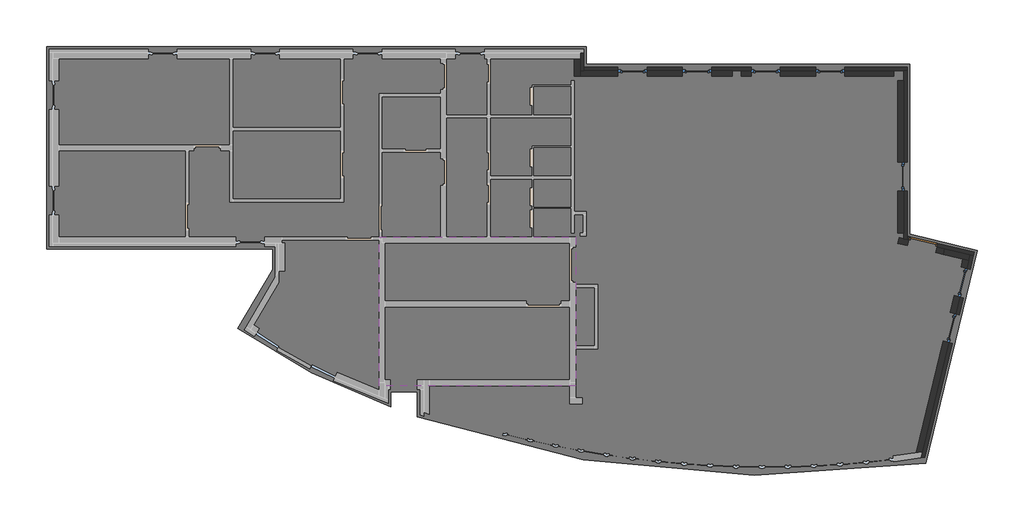
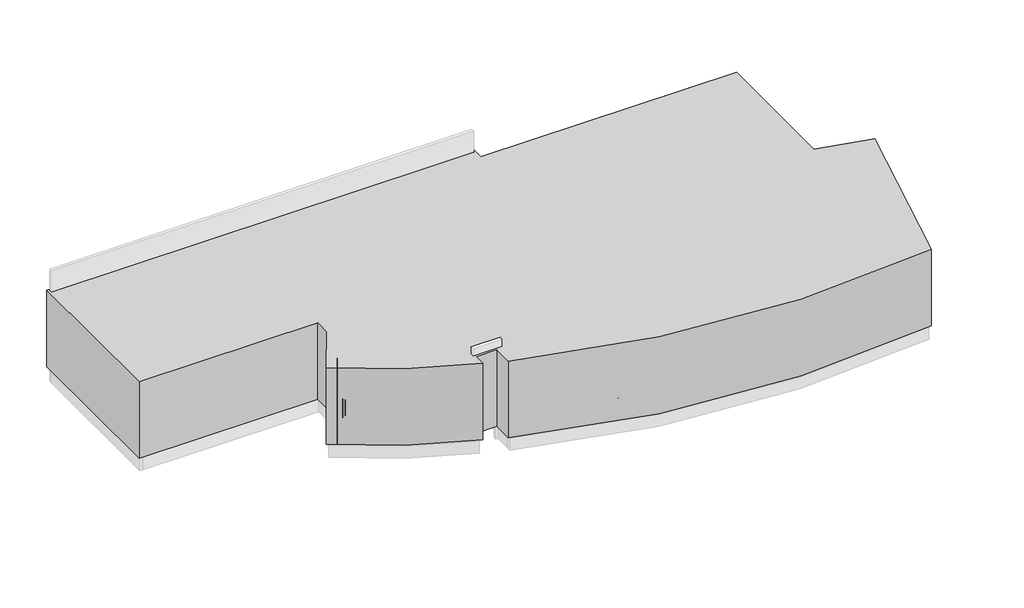
# One storey, part 4 of 4: 18 walls, 7 windows, 4 slabs, 1 door, 1 proxy.
"""IFC4 building model written with IfcOpenShell, lengths in millimetres."""

import ifcopenshell
import ifcopenshell.guid

model = None  # the IFC model being written
_history = None  # IfcOwnerHistory: only IFC2X3 demands one
_inside = {}  # id of a spatial element -> (the spatial element, [elements in it])
_under = {}  # id of a project, library or spatial element -> (it, [spatial elements below it])
_declared = {}  # id of a project -> (the project, [libraries it declares])
_typed = {}  # id of a type object -> (the type object, [elements of that type])
_made_of = {}  # id of a material, layer set ... -> (it, [elements and type objects made of it])


def new_model(schema):
    """Start an empty IFC model of exactly this schema.

    Asked for "IFC4X3", IfcOpenShell would pick the latest addendum, in which some entities
    have other attributes; the version numbers below select the first issue.
    IFC2X3 requires an IfcOwnerHistory on every rooted entity: one is made here for all.
    """
    global model, _history
    if schema == "IFC4X3":
        model = ifcopenshell.file(schema_version=(4, 3, 0, 0))
    else:
        model = ifcopenshell.file(schema=schema)
    _inside.clear()
    _under.clear()
    _declared.clear()
    _typed.clear()
    _made_of.clear()
    _history = None
    if model.schema == "IFC2X3":
        org = make("IfcOrganization", Name="unknown")
        user = make(
            "IfcPersonAndOrganization",
            ThePerson=make("IfcPerson", FamilyName="unknown"),
            TheOrganization=org,
        )
        app = make(
            "IfcApplication",
            ApplicationDeveloper=org,
            Version="unknown",
            ApplicationFullName="unknown",
            ApplicationIdentifier="unknown",
        )
        _history = make(
            "IfcOwnerHistory",
            OwningUser=user,
            OwningApplication=app,
            ChangeAction="ADDED",
            CreationDate=0,
        )
    return model


def make(cls, **values):
    """One entity of the class cls with the attributes given. An attribute that is None is left unset."""
    return model.create_entity(
        cls, **{name: value for name, value in values.items() if value is not None}
    )


def rooted(cls, **values):
    """An entity with a GlobalId (a new one), such as an element, a storey or a relation."""
    return make(cls, GlobalId=ifcopenshell.guid.new(), OwnerHistory=_history, **values)


def si_unit(unit_type, name, prefix=None):
    """IfcSIUnit, for example si_unit("LENGTHUNIT", "METRE", prefix="MILLI")."""
    return make("IfcSIUnit", UnitType=unit_type, Prefix=prefix, Name=name)


def assignment(units):
    """IfcUnitAssignment: the units of a project."""
    return None if units is None else make("IfcUnitAssignment", Units=units)


def point(xyz):
    """IfcCartesianPoint."""
    return None if xyz is None else make("IfcCartesianPoint", Coordinates=xyz)


def direction(xyz):
    """IfcDirection."""
    return None if xyz is None else make("IfcDirection", DirectionRatios=xyz)


def frame(location, z_axis=None, x_axis=None):
    """IfcAxis2Placement3D, a coordinate frame: its origin and axes. An axis left out is left unset."""
    return make(
        "IfcAxis2Placement3D",
        Location=point(location),
        Axis=direction(z_axis),
        RefDirection=direction(x_axis),
    )


def frame_2d(location, x_axis=None):
    """IfcAxis2Placement2D, a coordinate frame in the plane: its origin and x axis."""
    return make(
        "IfcAxis2Placement2D", Location=point(location), RefDirection=direction(x_axis)
    )


def origin():
    """The frame at (0, 0, 0) with its axes left unset."""
    return frame((0.0, 0.0, 0.0))


def origin_with_axes():
    """The frame at (0, 0, 0) with the z axis (0, 0, 1) and the x axis (1, 0, 0) written out."""
    return frame((0.0, 0.0, 0.0), z_axis=(0.0, 0.0, 1.0), x_axis=(1.0, 0.0, 0.0))


def place(relative_to, where):
    """IfcLocalPlacement: puts the frame where relative to a parent placement (None: the world)."""
    return make(
        "IfcLocalPlacement", PlacementRelTo=relative_to, RelativePlacement=where
    )


def context(
    kind, dimensions, precision=None, world=None, true_north=None, identifier=None
):
    """IfcGeometricRepresentationContext, for example the 3D "Model" context."""
    return make(
        "IfcGeometricRepresentationContext",
        ContextIdentifier=identifier,
        ContextType=kind,
        CoordinateSpaceDimension=dimensions,
        Precision=precision,
        WorldCoordinateSystem=world,
        TrueNorth=true_north,
    )


def project(units=None, contexts=None):
    """IfcProject with its units and contexts."""
    return rooted(
        "IfcProject",
        Name="project",
        RepresentationContexts=contexts,
        UnitsInContext=assignment(units),
    )


def spatial(cls, under=None, at=None, **own):
    """A site, building, storey or space (cls), placed at a placement, below another one or the project."""
    s = rooted(cls, ObjectPlacement=at, **own)
    if under is not None:
        _under.setdefault(under.id(), (under, []))[1].append(s)
    return s


def polyline(points):
    """IfcPolyline through the points."""
    return make("IfcPolyline", Points=[point(p) for p in points])


def circle_curve(where, radius):
    """IfcCircle in the frame where."""
    return make("IfcCircle", Position=where, Radius=radius)


def ellipse_curve(where, semi_axis1, semi_axis2):
    """IfcEllipse in the frame where."""
    return make(
        "IfcEllipse", Position=where, SemiAxis1=semi_axis1, SemiAxis2=semi_axis2
    )


def trimmed(basis, trim1, trim2, sense, master):
    """IfcTrimmedCurve: the piece of a basis curve between two trims."""
    return make(
        "IfcTrimmedCurve",
        BasisCurve=basis,
        Trim1=trim1,
        Trim2=trim2,
        SenseAgreement=sense,
        MasterRepresentation=master,
    )


def segment(curve, same_sense, transition):
    """IfcCompositeCurveSegment."""
    return make(
        "IfcCompositeCurveSegment",
        Transition=transition,
        SameSense=same_sense,
        ParentCurve=curve,
    )


def composite_curve(segments, self_intersect=None):
    """IfcCompositeCurve: segments joined end to end."""
    return make("IfcCompositeCurve", Segments=segments, SelfIntersect=self_intersect)


def outline(outer, holes=None, kind="AREA"):
    """IfcArbitraryClosedProfileDef: a profile drawn as a closed curve; with holes, ...WithVoids."""
    if holes is None:
        return make("IfcArbitraryClosedProfileDef", ProfileType=kind, OuterCurve=outer)
    return make(
        "IfcArbitraryProfileDefWithVoids",
        ProfileType=kind,
        OuterCurve=outer,
        InnerCurves=holes,
    )


def extrude(swept, where, along, depth):
    """IfcExtrudedAreaSolid: the profile swept, set in the frame where, extruded along a direction by depth."""
    return make(
        "IfcExtrudedAreaSolid",
        SweptArea=swept,
        Position=where,
        ExtrudedDirection=direction(along),
        Depth=depth,
    )


def faces_of(points, faces, orient=None, outer=None):
    """IfcFace entities. A face is a list of loops; a loop is a list of indices into points, from 0.

    orient and outer hold one flag for each loop. By default every Orientation is true, the
    first loop of a face is its IfcFaceOuterBound and the others are IfcFaceBound.
    """
    made = []
    for i, loops in enumerate(faces):
        bounds = []
        for j, loop in enumerate(loops):
            is_outer = j == 0 if outer is None else outer[i][j]
            bounds.append(
                make(
                    "IfcFaceOuterBound" if is_outer else "IfcFaceBound",
                    Bound=make("IfcPolyLoop", Polygon=[points[k] for k in loop]),
                    Orientation=True if orient is None else orient[i][j],
                )
            )
        made.append(make("IfcFace", Bounds=bounds))
    return made


def faceted_brep(points, faces, orient=None, outer=None, voids=None):
    """IfcFacetedBrep: a solid bounded by flat faces; with voids (closed shells), ...WithVoids."""
    shared = [point(p) for p in points]
    hull = make("IfcClosedShell", CfsFaces=faces_of(shared, faces, orient, outer))
    if voids is None:
        return make("IfcFacetedBrep", Outer=hull)
    return make(
        "IfcFacetedBrepWithVoids",
        Outer=hull,
        Voids=[
            make(cls, CfsFaces=faces_of(shared, fs, o, b)) for cls, fs, o, b in voids
        ],
    )


def shape(context_of_items, identifier, shape_type, items):
    """IfcShapeRepresentation: the items that make up one representation, for example the "Body"."""
    return make(
        "IfcShapeRepresentation",
        ContextOfItems=context_of_items,
        RepresentationIdentifier=identifier,
        RepresentationType=shape_type,
        Items=items,
    )


def source(mapping_origin, context_of_items, identifier, shape_type, items):
    """IfcRepresentationMap: a shape defined once, which mapped items show again and again."""
    return make(
        "IfcRepresentationMap",
        MappingOrigin=mapping_origin,
        MappedRepresentation=shape(context_of_items, identifier, shape_type, items),
    )


def transform(
    local_origin,
    x_axis=None,
    y_axis=None,
    z_axis=None,
    scale=None,
    scale2=None,
    scale3=None,
    uniform=True,
):
    """IfcCartesianTransformationOperator3D, or its non-uniform kind. x_axis, y_axis, z_axis: its Axis1, 2, 3."""
    if uniform:
        return make(
            "IfcCartesianTransformationOperator3D",
            Axis1=direction(x_axis),
            Axis2=direction(y_axis),
            LocalOrigin=point(local_origin),
            Scale=scale,
            Axis3=direction(z_axis),
        )
    return make(
        "IfcCartesianTransformationOperator3DnonUniform",
        Axis1=direction(x_axis),
        Axis2=direction(y_axis),
        LocalOrigin=point(local_origin),
        Scale=scale,
        Axis3=direction(z_axis),
        Scale2=scale2,
        Scale3=scale3,
    )


def mapped(mapping_source, mapping_target):
    """IfcMappedItem: shows the shape of a source again, moved by a transform."""
    return make(
        "IfcMappedItem", MappingSource=mapping_source, MappingTarget=mapping_target
    )


def made_of(thing, what):
    """Note that an element or type object is made of a material, layer set ...; save() writes the relation."""
    if what is not None:
        _made_of.setdefault(what.id(), (what, []))[1].append(thing)
    return thing


def element(
    cls,
    number,
    at=None,
    inside=None,
    cuts=None,
    type_object=None,
    material=None,
    context=None,
    identifier="Body",
    shape_type=None,
    held_by="IfcProductDefinitionShape",
    body=None,
    shapes=None,
    **own,
):
    """One element of the class cls, such as IfcWall. Its Tag is "e" and its number.

    at: its placement. inside: the storey or other place that contains it. cuts: it is an
    opening in that element (IfcRelVoidsElement). A single representation is given by context,
    identifier, shape_type and body (its items); several are given by shapes. held_by: the class
    of the entity that holds the representations. save() writes the other relations.
    """
    e = rooted(cls, Tag="e%d" % number, ObjectPlacement=at, **own)
    if body is not None:
        shapes = [shape(context, identifier, shape_type, body)]
    if shapes is not None:
        e.Representation = make(held_by, Representations=shapes)
    if inside is not None:
        _inside.setdefault(inside.id(), (inside, []))[1].append(e)
    if cuts is not None:
        rooted(
            "IfcRelVoidsElement", RelatingBuildingElement=cuts, RelatedOpeningElement=e
        )
    if type_object is not None:
        _typed.setdefault(type_object.id(), (type_object, []))[1].append(e)
    return made_of(e, material)


def aggregate(whole, parts):
    """IfcRelAggregates: a whole, such as a stair, and the parts it consists of."""
    return rooted("IfcRelAggregates", RelatingObject=whole, RelatedObjects=parts)


def save(model, path):
    """Write the relations noted so far, then the file.

    IfcRelAggregates (storeys below a building ...), IfcRelContainedInSpatialStructure (elements
    in a storey), IfcRelDefinesByType, IfcRelAssociatesMaterial and IfcRelDeclares: one each for
    every whole, place, type object, material and project.
    """
    for whole, parts in _under.values():
        aggregate(whole, parts)
    for where, things in _inside.values():
        rooted(
            "IfcRelContainedInSpatialStructure",
            RelatedElements=things,
            RelatingStructure=where,
        )
    for kind, things in _typed.values():
        rooted("IfcRelDefinesByType", RelatedObjects=things, RelatingType=kind)
    for what, things in _made_of.values():
        rooted("IfcRelAssociatesMaterial", RelatedObjects=things, RelatingMaterial=what)
    for by, libraries in _declared.values():
        rooted("IfcRelDeclares", RelatingContext=by, RelatedDefinitions=libraries)
    model.write(path)


def plane_surface(at):
    """IfcPlane: the flat surface through the origin of the frame at, square to its z axis."""
    return make("IfcPlane", Position=at)


def cylinder_surface(at, radius):
    """IfcCylindricalSurface: all points at the distance radius from the z axis of the frame at."""
    return make("IfcCylindricalSurface", Position=at, Radius=radius)


def advanced_brep(points, edges, surfaces, faces):
    """IfcAdvancedBrep: a solid bounded by faces that lie on surfaces and meet in shared edges.

    An edge is (start, end): straight between two places in points (the first is 0);
    or (start, end, curve); or (start, end, curve, False) where it runs against its curve.
    A face is (place in surfaces, loops), or (place, loops, False) where it looks against
    its surface's normal. A loop lists edges by number (the first is 1), with a minus sign
    where the edge is run from its end to its start. The first loop is the outer one.
    """
    corners = [point(p) for p in points]
    vertices = [make("IfcVertexPoint", VertexGeometry=c) for c in corners]
    made = []
    for start, end, *more in edges:
        made.append(
            make(
                "IfcEdgeCurve",
                EdgeStart=vertices[start],
                EdgeEnd=vertices[end],
                EdgeGeometry=more[0] if more else make("IfcPolyline", Points=[corners[start], corners[end]]),
                SameSense=more[1] if len(more) > 1 else True,
            )
        )
    hull = []
    for where, loops, *sense in faces:
        bounds = []
        for j, loop in enumerate(loops):
            ring = [make("IfcOrientedEdge", EdgeElement=made[abs(k) - 1], Orientation=k > 0) for k in loop]
            bounds.append(
                make(
                    "IfcFaceOuterBound" if j == 0 else "IfcFaceBound",
                    Bound=make("IfcEdgeLoop", EdgeList=ring),
                    Orientation=True,
                )
            )
        hull.append(make("IfcAdvancedFace", Bounds=bounds, FaceSurface=surfaces[where], SameSense=sense[0] if sense else True))
    return make("IfcAdvancedBrep", Outer=make("IfcClosedShell", CfsFaces=hull))


def door_57be7e1d(model_context):
    return source(origin(), model_context, "Body", "SweptSolid", [
        extrude(outline(polyline([(-450.0, 60.0), (450.0, 60.0), (450.0, 10.0), (-450.0, 10.0), (-450.0, 60.0)])), origin_with_axes(), (0.0, 0.0, 1.0), 2050.0),
        extrude(outline(polyline([(0.0, -500.0), (0.0, -450.0), (2050.0, -450.0), (2050.0, 450.0), (0.0, 450.0), (0.0, 500.0), (2100.0, 500.0), (2100.0, -500.0), (0.0, -500.0)])), frame((0.0, -40.0, 0.0), z_axis=(0.0, 1.0, 0.0), x_axis=(0.0, 0.0, 1.0)), (0.0, 0.0, 1.0), 100.0),
    ])


def window_b37a0a77(model_context):
    return source(origin(), model_context, "Body", "SolidModel", [
        extrude(outline(polyline([(666.8584094, -65.9407167), (666.8584094, -73.9407167), (-153.1415906, -73.9407167), (-153.1415906, -65.9407167), (666.8584094, -65.9407167)])), frame((0.0, 0.0, 2317.0), z_axis=(0.0, 0.0, 1.0), x_axis=(1.0, 0.0, 0.0)), (0.0, 0.0, 1.0), 493.0),
        advanced_brep(
        [(244.3584094, -139.9407167, 1005.0), (269.3584094, -139.9407167, 1005.0), (244.3584094, -177.4407167, 1005.0), (269.3584094, -202.4407167, 1005.0), (156.8584094, -177.4407167, 1005.0), (156.8584094, -202.4407167, 1005.0)],
        [
            (0, 1, circle_curve(frame((256.8584094, -139.9407167, 1005.0), z_axis=(0.0, 1.0, 0.0), x_axis=(1.0, 0.0, 0.0)), 12.5)),
            (1, 0, circle_curve(frame((256.8584094, -139.9407167, 1005.0), z_axis=(0.0, 1.0, 0.0), x_axis=(1.0, 0.0, 0.0)), 12.5)),
            (0, 2),
            (2, 3, ellipse_curve(frame((256.8584094, -189.9407167, 1005.0), z_axis=(0.7071067811865475, 0.7071067811865475, 0.0), x_axis=(-0.7071067811865474, 0.7071067811865476, 0.0)), 17.6776695, 12.5)),
            (3, 1),
            (3, 2, ellipse_curve(frame((256.8584094, -189.9407167, 1005.0), z_axis=(0.7071067811865475, 0.7071067811865475, 0.0), x_axis=(-0.7071067811865474, 0.7071067811865476, 0.0)), 17.6776695, 12.5)),
            (4, 5, circle_curve(frame((156.8584094, -189.9407167, 1005.0), z_axis=(-1.0, 0.0, 0.0), x_axis=(0.0, -1.0, 0.0)), 12.5)),
            (5, 4, circle_curve(frame((156.8584094, -189.9407167, 1005.0), z_axis=(-1.0, 0.0, 0.0), x_axis=(0.0, -1.0, 0.0)), 12.5)),
            (2, 4),
            (5, 3),
        ],
        [
            plane_surface(frame((256.8584094, -139.9407167, 1005.0), z_axis=(0.0, 1.0, 0.0), x_axis=(0.0, 0.0, 1.0))),
            cylinder_surface(frame((256.8584094, -139.9407167, 1005.0), z_axis=(0.0, 1.0, 0.0), x_axis=(1.0, 0.0, 0.0)), 12.5),
            plane_surface(frame((156.8584094, -189.9407167, 1005.0), z_axis=(-1.0, 0.0, 0.0), x_axis=(0.0, 0.0, 1.0))),
            cylinder_surface(frame((256.8584094, -189.9407167, 1005.0), z_axis=(1.0, 0.0, 0.0), x_axis=(0.0, -1.0, 0.0)), 12.5),
        ],
        [
            (0, [[1, 2]]),
            (1, [[-1, 3, 4, 5]]),
            (1, [[-2, -5, 6, -3]]),
            (2, [[7, 8]]),
            (3, [[-4, 9, -8, 10]]),
            (3, [[-6, -10, -7, -9]]),
        ],
    ),
        extrude(outline(polyline([(616.8584094, -90.9407167), (616.8584094, -98.9407167), (-103.1415906, -98.9407167), (-103.1415906, -90.9407167), (616.8584094, -90.9407167)])), frame((0.0, 0.0, 1030.0), z_axis=(0.0, 0.0, 1.0), x_axis=(1.0, 0.0, 0.0)), (0.0, 0.0, 1.0), 1730.0),
        faceted_brep([(-153.1415906, -69.9407167, 980.0), (666.8584094, -69.9407167, 980.0), (666.8584094, -114.9407167, 980.0), (666.8584094, -139.9407167, 980.0), (-153.1415906, -139.9407167, 980.0), (-153.1415906, -114.9407167, 980.0), (-103.1415906, -69.9407167, 1030.0), (-103.1415906, -139.9407167, 1030.0), (616.8584094, -139.9407167, 1030.0), (616.8584094, -69.9407167, 1030.0), (666.8584094, -69.9407167, 2810.0), (666.8584094, -114.9407167, 2810.0), (666.8584094, -139.9407167, 2810.0), (616.8584094, -139.9407167, 2760.0), (616.8584094, -69.9407167, 2760.0), (-153.1415906, -69.9407167, 2810.0), (-153.1415906, -114.9407167, 2810.0), (-153.1415906, -139.9407167, 2810.0), (-103.1415906, -139.9407167, 2760.0), (-103.1415906, -69.9407167, 2760.0)], [[[0, 1, 2, 3, 4, 5]], [[6, 7, 8, 9]], [[1, 10, 11, 12, 3, 2]], [[9, 8, 13, 14]], [[10, 15, 16, 17, 12, 11]], [[14, 13, 18, 19]], [[1, 0, 15, 10], [6, 9, 14, 19]], [[15, 0, 5, 4, 17, 16]], [[4, 3, 12, 17], [8, 7, 18, 13]], [[7, 6, 19, 18]]]),
        extrude(outline(polyline([(2890.0, 746.8584094), (2890.0, -233.1415906), (900.0, -233.1415906), (900.0, 746.8584094), (2890.0, 746.8584094)]), holes=[polyline([(2810.0, -153.1415906), (2810.0, 666.8584094), (2317.0, 666.8584094), (2317.0, -153.1415906), (2810.0, -153.1415906)]), polyline([(980.0, 666.8584094), (980.0, -153.1415906), (2237.0, -153.1415906), (2237.0, 666.8584094), (980.0, 666.8584094)])]), frame((0.0, -114.9407167, 0.0), z_axis=(0.0, 1.0, 0.0), x_axis=(0.0, 0.0, 1.0)), (0.0, 0.0, 1.0), 70.0),
    ])


model = new_model("IFC4")

# Units and contexts
model_context = context("Model", 3, world=origin())
ifc_project = project(units=[si_unit("LENGTHUNIT", "METRE", prefix="MILLI")], contexts=[model_context])

# Site, building, storey
site = spatial("IfcSite", under=ifc_project)
building = spatial("IfcBuilding", under=site)
storey = spatial("IfcBuildingStorey", under=building, Elevation=3600.0)

# Proxy
placement = place(None, origin())
element("IfcBuildingElementProxy", 1, Name="Mass", at=placement, inside=storey, context=model_context, shape_type="SweptSolid", body=[
    extrude(outline(composite_curve([segment(polyline([(-1805.9332962, 4470.0), (-1805.9332962, 11400.0), (16629.9987544, 11400.0), (16629.9987544, 10790.0), (27679.9990554, 10790.0), (27679.9990554, 4991.002639), (29987.2324476, 4432.7888771), (28225.1801468, -2850.2023073)]), True, "CONTINUOUS"), segment(trimmed(circle_curve(frame_2d((22750.068221, 33124.0258435)), 36388.4863885), [point((28225.1801468, -2850.2023073))], [point((10848.291724, -1263.0307019))], False, "CARTESIAN"), True, "CONTINUOUS"), segment(polyline([(10848.291724, -1263.0307019), (10848.291724, -410.0), (9948.291724, -410.0), (9948.291724, -923.4984263)]), True, "CONTINUOUS"), segment(trimmed(circle_curve(frame_2d((16778.7203102, 18769.2388228)), 20843.6718223), [point((9948.291724, -923.4984263))], [point((4731.2047674, 1759.9465307))], False, "CARTESIAN"), True, "CONTINUOUS"), segment(polyline([(4731.2047674, 1759.9465307), (5920.291724, 3778.8538066), (5920.291724, 4470.0), (-1805.9332962, 4470.0)]), True, "CONTINUOUS")], self_intersect=False)), frame((0.0, 0.0, 3600.0), z_axis=(0.0, 0.0, 1.0), x_axis=(1.0, 0.0, 0.0)), (0.0, 0.0, 1.0), 3500.0),
])

# Door
door_shape = door_57be7e1d(model_context)
element("IfcDoor", 2, at=placement, inside=storey, context=model_context, shape_type="MappedRepresentation", body=[
    mapped(door_shape, transform((28138.0109393, 4725.8631846, 3600.0), x_axis=(0.9719576056551293, -0.2351561455908565, 0.0), y_axis=(0.2351561455908565, 0.9719576056551293, 0.0), z_axis=(0.0, 0.0, 1.0))),
])

# Slabs
element("IfcSlab", 3, at=placement, inside=storey, context=model_context, shape_type="SweptSolid", body=[
    extrude(outline(composite_curve([segment(polyline([(16219.9987544, 10990.0), (16219.9987544, 10380.0), (27269.9990554, 10380.0), (27269.9990554, 4668.3692458), (29492.3158096, 4130.7002784), (27890.3187234, -2490.7437338)]), True, "CONTINUOUS"), segment(trimmed(circle_curve(frame_2d((22767.3792147, 33121.1499071)), 35978.4863203), [point((27890.3187234, -2490.7437338))], [point((11270.291724, -970.9086569))], False, "CARTESIAN"), True, "CONTINUOUS"), segment(polyline([(11270.291724, -970.9086569), (11270.291724, -200.0), (16070.291724, -200.0), (16070.291724, -820.0), (16490.0, -820.0), (16490.0, -620.0), (16270.291724, -620.0), (16270.291724, 1059.6640199), (17019.5672054, 1059.6640199), (17019.5672054, 3259.9999996), (16270.291724, 3259.9999996), (16270.291724, 2700.0), (9550.291724, 2700.0), (9550.291724, -343.1855214)]), True, "CONTINUOUS"), segment(trimmed(circle_curve(frame_2d((16832.6255007, 18872.8552409)), 20549.6619878), [point((9550.291724, -343.1855214))], [point((5277.5419392, 1879.6609649))], False, "CARTESIAN"), True, "CONTINUOUS"), segment(polyline([(5277.5419392, 1879.6609649), (6330.291724, 3667.0863408), (6330.291724, 4880.0), (-1395.9332962, 4880.0), (-1395.9332962, 10990.0), (16219.9987544, 10990.0)]), True, "CONTINUOUS")], self_intersect=False), holes=[polyline([(16530.0005822, 5021.7654473), (16530.0005822, 5650.0), (16219.9988356, 5650.0), (16219.9988356, 5021.7654473), (16530.0005822, 5021.7654473)])]), frame((0.0, 0.0, 3500.0), z_axis=(0.0, 0.0, 1.0), x_axis=(1.0, 0.0, 0.0)), (0.0, 0.0, 1.0), 100.0),
])
element("IfcSlab", 4, at=placement, inside=storey, context=model_context, shape_type="SweptSolid", body=[
    extrude(outline(composite_curve([segment(polyline([(16219.9987544, 10990.0), (16219.9987544, 10380.0), (27269.9990554, 10380.0), (27269.9990554, 4668.3692458), (29492.3158096, 4130.7002784), (27890.3187234, -2490.7437338)]), True, "CONTINUOUS"), segment(trimmed(circle_curve(frame_2d((22767.3792147, 33121.1499071)), 35978.4863203), [point((27890.3187234, -2490.7437338))], [point((11270.291724, -970.9086569))], False, "CARTESIAN"), True, "CONTINUOUS"), segment(polyline([(11270.291724, -970.9086569), (11270.291724, -200.0), (16070.291724, -200.0), (16070.291724, -820.0), (16490.0, -820.0), (16490.0, -620.0), (16270.291724, -620.0), (16270.291724, 1059.6640199), (17019.5672054, 1059.6640199), (17019.5672054, 3259.9999996), (16270.291724, 3259.9999996), (16270.291724, 2700.0), (9550.291724, 2700.0), (9550.291724, -343.1855214)]), True, "CONTINUOUS"), segment(trimmed(circle_curve(frame_2d((16832.6255007, 18872.8552409)), 20549.6619878), [point((9550.291724, -343.1855214))], [point((5277.5419392, 1879.6609649))], False, "CARTESIAN"), True, "CONTINUOUS"), segment(polyline([(5277.5419392, 1879.6609649), (6330.291724, 3667.0863408), (6330.291724, 4880.0), (-1395.9332962, 4880.0), (-1395.9332962, 10990.0), (16219.9987544, 10990.0)]), True, "CONTINUOUS")], self_intersect=False), holes=[polyline([(16530.0005822, 5021.7654473), (16530.0005822, 5650.0), (16219.9988356, 5650.0), (16219.9988356, 5021.7654473), (16530.0005822, 5021.7654473)])]), frame((0.0, 0.0, 3500.0), z_axis=(0.0, 0.0, 1.0), x_axis=(1.0, 0.0, 0.0)), (0.0, 0.0, 1.0), 100.0),
])
element("IfcSlab", 5, at=placement, inside=storey, context=model_context, shape_type="SweptSolid", body=[
    extrude(outline(polyline([(16270.0, 4880.0), (16270.0, -200.0), (9550.291724, -200.0), (9550.291724, 4880.0), (16270.0, 4880.0)]), holes=[polyline([(10984.1224764, 3900.0000028), (9750.291724, 3900.0000028), (9750.291724, 2700.0), (10984.1224764, 2700.0), (10984.1224764, 3900.0000028)]), polyline([(13720.0, 350.0), (13720.0, 0.0), (15120.0, 0.0), (15120.0, 350.0), (13720.0, 350.0)])]), frame((0.0, 0.0, 5700.0), z_axis=(0.0, 0.0, 1.0), x_axis=(1.0, 0.0, 0.0)), (0.0, 0.0, 1.0), 200.0),
])
element("IfcSlab", 6, at=placement, inside=storey, context=model_context, shape_type="SweptSolid", body=[
    extrude(outline(polyline([(22269.9990554, 5380.0), (22269.9990554, 4380.0), (21919.9990554, 4380.0), (21919.9990554, -470.0), (21619.9990554, -470.0), (21619.9990554, 4380.0), (21269.9990554, 4380.0), (21269.9990554, 5380.0), (22269.9990554, 5380.0)])), frame((0.0, 0.0, 3100.0), z_axis=(0.0, 0.0, 1.0), x_axis=(1.0, 0.0, 0.0)), (0.0, 0.0, 1.0), 200.0),
    extrude(outline(polyline([(16120.0, 10230.0), (16420.0, 10230.0), (16420.0, 5030.0), (16120.0, 5030.0), (16120.0, 10230.0)])), frame((0.0, 0.0, 3100.0), z_axis=(0.0, 0.0, 1.0), x_axis=(1.0, 0.0, 0.0)), (0.0, 0.0, 1.0), 200.0),
    extrude(outline(polyline([(16070.0, -820.0), (16280.145862, -820.0), (16280.145862, -2113.3276554), (16070.0, -2075.9132898), (16070.0, -820.0)])), frame((0.0, 0.0, 3100.0), z_axis=(0.0, 0.0, 1.0), x_axis=(1.0, 0.0, 0.0)), (0.0, 0.0, 1.0), 200.0),
    extrude(outline(polyline([(27119.9990554, -770.0), (27419.9990554, -770.0), (27419.9990554, -2403.9897137), (27119.9990554, -2403.9897137), (27119.9990554, -770.0)])), frame((0.0, 0.0, 3100.0), z_axis=(0.0, 0.0, 1.0), x_axis=(1.0, 0.0, 0.0)), (0.0, 0.0, 1.0), 200.0),
    extrude(outline(polyline([(27419.9990554, -470.0), (27119.9990554, -470.0), (27119.9990554, 4550.3326386), (27419.9990554, 4477.7504156), (27419.9990554, -470.0)])), frame((0.0, 0.0, 3100.0), z_axis=(0.0, 0.0, 1.0), x_axis=(1.0, 0.0, 0.0)), (0.0, 0.0, 1.0), 200.0),
])

# Walls
element("IfcWall", 7, at=placement, inside=storey, context=model_context, shape_type="Brep", body=[
    faceted_brep([(16219.9987544, 10990.0, 3500.0), (16219.9987544, 10380.0, 3500.0), (16219.9987544, 10380.0, 6700.0), (16219.9987544, 10990.0, 6700.0), (16419.9987544, 10990.0, 3500.0), (16419.9987544, 10990.0, 6700.0), (16419.9987544, 10580.0, 6700.0), (16419.9987544, 10380.0, 6700.0), (16419.9987544, 10380.0, 3500.0), (16419.9987544, 10580.0, 3500.0)], [[[0, 1, 2, 3]], [[4, 5, 6, 7, 8, 9]], [[1, 0, 4, 9, 8]], [[3, 2, 7, 6, 5]], [[0, 3, 5, 4]], [[2, 1, 8, 7]]]),
])
element("IfcWall", 8, at=placement, inside=storey, context=model_context, shape_type="Brep", body=[
    faceted_brep([(16419.9987544, 11190.0, 3501.2887174), (16419.9987544, 10580.0, 3501.2887174), (16419.9987544, 10580.0, 6700.0), (16419.9987544, 11190.0, 6700.0), (16539.9987544, 11190.0, 3501.2887174), (16539.9987544, 11190.0, 6700.0), (16539.9987544, 10700.0, 6700.0), (16539.9987544, 10580.0, 6700.0), (16539.9987544, 10580.0, 3501.2887174)], [[[0, 1, 2, 3]], [[4, 5, 6, 7, 8]], [[1, 0, 4, 8]], [[3, 2, 7, 6, 5]], [[0, 3, 5, 4]], [[2, 1, 8, 7]]]),
])
element("IfcWall", 9, at=placement, inside=storey, context=model_context, shape_type="Brep", body=[
    faceted_brep([(16539.9987544, 10580.0, 3500.0), (27469.9990554, 10580.0, 3500.0), (27589.9990554, 10580.0, 3500.0), (27589.9990554, 10580.0, 6700.0), (27469.9990554, 10580.0, 6700.0), (16539.9987544, 10580.0, 6700.0), (16539.9987544, 10580.0, 3501.2887174), (24459.9999506, 10580.0, 6420.0), (25459.9999506, 10580.0, 6420.0), (25459.9999506, 10580.0, 4420.0), (24459.9999506, 10580.0, 4420.0), (22259.9999506, 10580.0, 6420.0), (23259.9999506, 10580.0, 6420.0), (23259.9999506, 10580.0, 4420.0), (22259.9999506, 10580.0, 4420.0), (19909.9990542, 10580.0, 6420.0), (20909.9990542, 10580.0, 6420.0), (20909.9990542, 10580.0, 4420.0), (19909.9990542, 10580.0, 4420.0), (17709.9999702, 10580.0, 6420.0), (18709.9999702, 10580.0, 6420.0), (18709.9999702, 10580.0, 4420.0), (17709.9999702, 10580.0, 4420.0), (16539.9987544, 10700.0, 3500.0), (16539.9987544, 10700.0, 6700.0), (27589.9990554, 10700.0, 6700.0), (27589.9990554, 10700.0, 3500.0), (25459.9999506, 10700.0, 6420.0), (24459.9999506, 10700.0, 6420.0), (24459.9999506, 10700.0, 4460.0), (25459.9999506, 10700.0, 4460.0), (23259.9999506, 10700.0, 6420.0), (22259.9999506, 10700.0, 6420.0), (22259.9999506, 10700.0, 4460.0), (23259.9999506, 10700.0, 4460.0), (20909.9990542, 10700.0, 6420.0), (19909.9990542, 10700.0, 6420.0), (19909.9990542, 10700.0, 4460.0), (20909.9990542, 10700.0, 4460.0), (18709.9999702, 10700.0, 6420.0), (17709.9999702, 10700.0, 6420.0), (17709.9999702, 10700.0, 4460.0), (18709.9999702, 10700.0, 4460.0), (24459.9999506, 10600.0, 4420.0), (25459.9999506, 10600.0, 4420.0), (25459.9999506, 10600.0, 4460.0), (24459.9999506, 10600.0, 4460.0), (24459.9999506, 10675.434827, 6420.0), (25459.9999506, 10675.434827, 6420.0), (24459.9999506, 10675.434827, 4460.0), (25459.9999506, 10675.434827, 4460.0), (22259.9999506, 10600.0, 4420.0), (23259.9999506, 10600.0, 4420.0), (23259.9999506, 10600.0, 4460.0), (22259.9999506, 10600.0, 4460.0), (22259.9999506, 10675.434827, 6420.0), (23259.9999506, 10675.434827, 6420.0), (22259.9999506, 10675.434827, 4460.0), (23259.9999506, 10675.434827, 4460.0), (19909.9990542, 10600.0, 4420.0), (20909.9990542, 10600.0, 4420.0), (20909.9990542, 10600.0, 4460.0), (19909.9990542, 10600.0, 4460.0), (19909.9990542, 10675.434827, 6420.0), (20909.9990542, 10675.434827, 6420.0), (19909.9990542, 10675.434827, 4460.0), (20909.9990542, 10675.434827, 4460.0), (17709.9999702, 10600.0, 4420.0), (18709.9999702, 10600.0, 4420.0), (18709.9999702, 10600.0, 4460.0), (17709.9999702, 10600.0, 4460.0), (17709.9999702, 10675.434827, 6420.0), (18709.9999702, 10675.434827, 6420.0), (17709.9999702, 10675.434827, 4460.0), (18709.9999702, 10675.434827, 4460.0)], [[[0, 1, 2, 3, 4, 5, 6], [7, 8, 9, 10], [11, 12, 13, 14], [15, 16, 17, 18], [19, 20, 21, 22]], [[23, 24, 25, 26], [27, 28, 29, 30], [31, 32, 33, 34], [35, 36, 37, 38], [39, 40, 41, 42]], [[2, 1, 0, 23, 26]], [[5, 4, 3, 25, 24]], [[0, 6, 5, 24, 23]], [[3, 2, 26, 25]], [[43, 44, 45, 46]], [[8, 7, 47, 28, 27, 48]], [[10, 43, 46, 49, 29, 28, 47, 7]], [[44, 43, 10, 9]], [[44, 9, 8, 48, 27, 30, 50, 45]], [[30, 29, 49, 46, 45, 50]], [[51, 52, 53, 54]], [[12, 11, 55, 32, 31, 56]], [[14, 51, 54, 57, 33, 32, 55, 11]], [[52, 51, 14, 13]], [[52, 13, 12, 56, 31, 34, 58, 53]], [[34, 33, 57, 54, 53, 58]], [[59, 60, 61, 62]], [[16, 15, 63, 36, 35, 64]], [[18, 59, 62, 65, 37, 36, 63, 15]], [[60, 59, 18, 17]], [[60, 17, 16, 64, 35, 38, 66, 61]], [[38, 37, 65, 62, 61, 66]], [[67, 68, 69, 70]], [[20, 19, 71, 40, 39, 72]], [[22, 67, 70, 73, 41, 40, 71, 19]], [[68, 67, 22, 21]], [[68, 21, 20, 72, 39, 42, 74, 69]], [[42, 41, 73, 70, 69, 74]]]),
])
element("IfcWall", 10, at=placement, inside=storey, context=model_context, shape_type="SweptSolid", body=[
    extrude(outline(polyline([(3500.0, 16419.9987544), (3500.0, 21619.9990554), (6700.0, 21619.9990554), (6700.0, 16419.9987544), (3500.0, 16419.9987544)]), holes=[polyline([(6420.0, 17709.9999702), (6420.0, 18709.9999702), (4420.0, 18709.9999702), (4420.0, 17709.9999702), (6420.0, 17709.9999702)]), polyline([(6420.0, 19909.9990542), (6420.0, 20909.9990542), (4420.0, 20909.9990542), (4420.0, 19909.9990542), (6420.0, 19909.9990542)])]), frame((0.0, 10380.0, 0.0), z_axis=(0.0, 1.0, 0.0), x_axis=(0.0, 0.0, 1.0)), (0.0, 0.0, 1.0), 200.0),
])
element("IfcWall", 11, at=placement, inside=storey, context=model_context, shape_type="SweptSolid", body=[
    extrude(outline(polyline([(3500.0, 21919.9990554), (3500.0, 27119.9990554), (6700.0, 27119.9990554), (6700.0, 21919.9990554), (3500.0, 21919.9990554)]), holes=[polyline([(6420.0, 22259.9999506), (6420.0, 23259.9999506), (4420.0, 23259.9999506), (4420.0, 22259.9999506), (6420.0, 22259.9999506)]), polyline([(6420.0, 24459.9999506), (6420.0, 25459.9999506), (4420.0, 25459.9999506), (4420.0, 24459.9999506), (6420.0, 24459.9999506)])]), frame((0.0, 10380.0, 0.0), z_axis=(0.0, 1.0, 0.0), x_axis=(0.0, 0.0, 1.0)), (0.0, 0.0, 1.0), 200.0),
])
element("IfcWall", 12, at=placement, inside=storey, context=model_context, shape_type="SweptSolid", body=[
    extrude(outline(polyline([(10230.0, 3500.0), (5030.0, 3500.0), (5030.0, 6700.0), (10230.0, 6700.0), (10230.0, 3500.0)]), holes=[polyline([(7450.0, 6420.0), (6450.0, 6420.0), (6450.0, 4420.0), (7450.0, 4420.0), (7450.0, 6420.0)])]), frame((27269.9990554, 0.0, 0.0), z_axis=(1.0, 0.0, 0.0), x_axis=(0.0, 1.0, 0.0)), (0.0, 0.0, 1.0), 200.0),
])
element("IfcWall", 13, at=placement, inside=storey, context=model_context, shape_type="Brep", body=[
    faceted_brep([(27469.9990554, 10580.0, 3500.0), (27469.9990554, 4825.7513888, 3500.0), (27469.9990554, 4825.7513888, 6700.0), (27469.9990554, 10580.0, 6700.0), (27469.9990554, 7450.0, 6420.0), (27469.9990554, 6450.0, 6420.0), (27469.9990554, 6450.0, 4420.0), (27469.9990554, 7450.0, 4420.0), (27589.9990554, 10580.0, 3500.0), (27589.9990554, 10580.0, 6700.0), (27589.9990554, 4920.1806746, 6700.0), (27589.9990554, 4796.7184996, 6700.0), (27589.9990554, 4796.7184996, 3500.0), (27589.9990554, 4920.1806746, 3500.0), (27589.9990554, 6450.0, 6420.0), (27589.9990554, 7450.0, 6420.0), (27589.9990554, 7450.0, 4460.0), (27589.9990554, 6450.0, 4460.0), (27489.9990554, 7450.0, 4420.0), (27489.9990554, 6450.0, 4420.0), (27489.9990554, 6450.0, 4460.0), (27489.9990554, 7450.0, 4460.0), (27565.4338824, 7450.0, 6420.0), (27565.4338824, 6450.0, 6420.0), (27565.4338824, 7450.0, 4460.0), (27565.4338824, 6450.0, 4460.0)], [[[0, 1, 2, 3], [4, 5, 6, 7]], [[8, 9, 10, 11, 12, 13], [14, 15, 16, 17]], [[1, 0, 8, 13, 12]], [[3, 2, 11, 10, 9]], [[0, 3, 9, 8]], [[2, 1, 12, 11]], [[18, 19, 20, 21]], [[5, 4, 22, 15, 14, 23]], [[7, 18, 21, 24, 16, 15, 22, 4]], [[19, 18, 7, 6]], [[19, 6, 5, 23, 14, 17, 25, 20]], [[17, 16, 24, 21, 20, 25]]]),
])
element("IfcWall", 14, at=placement, inside=storey, context=model_context, shape_type="Brep", body=[
    faceted_brep([(27589.9990554, 4796.7184996, 3500.0), (29733.7385598, 4278.0605704, 3500.0), (29850.3734725, 4249.841833, 3500.0), (29850.3734725, 4249.841833, 6700.0), (29733.7385598, 4278.0605704, 6700.0), (27589.9990554, 4796.7184996, 6700.0), (28609.8803734, 4549.9676555, 5700.0), (28609.8803734, 4549.9676555, 3600.0), (27637.9227677, 4785.1238011, 3600.0), (27637.9227677, 4785.1238011, 5700.0), (27589.9990554, 4920.1806746, 3500.0), (27589.9990554, 4920.1806746, 6700.0), (29878.59221, 4366.4767457, 6700.0), (29878.59221, 4366.4767457, 3500.0), (28638.0991108, 4666.6025681, 3600.0), (28638.0991108, 4666.6025681, 5700.0), (27666.1415052, 4901.7587137, 5700.0), (27666.1415052, 4901.7587137, 3600.0)], [[[0, 1, 2, 3, 4, 5], [6, 7, 8, 9]], [[10, 11, 12, 13], [14, 15, 16, 17]], [[2, 1, 0, 10, 13]], [[5, 4, 3, 12, 11]], [[0, 5, 11, 10]], [[3, 2, 13, 12]], [[7, 6, 15, 14]], [[15, 6, 9, 16]], [[16, 9, 8, 17]], [[7, 14, 17, 8]]]),
])
element("IfcWall", 15, at=placement, inside=storey, context=model_context, shape_type="SweptSolid", body=[
    extrude(outline(polyline([(-5e-07, 0.0), (1586.4338333, 0.0), (1586.4338333, -3200.0), (-5e-07, -3200.0), (-5e-07, 0.0)]), holes=[polyline([(330.1506993, -2200.0), (1330.1506992, -2200.0), (1330.1506992, -100.0), (330.1506993, -100.0), (330.1506993, -2200.0)])]), frame((27269.9990554, 4668.3692458, 3500.0), z_axis=(0.23515614559085338, 0.9719576056551301, 0.0), x_axis=(0.9719576056551301, -0.23515614559085338, 0.0)), (0.0, 0.0, 1.0), 200.0),
])
element("IfcWall", 16, at=placement, inside=storey, context=model_context, shape_type="Brep", body=[
    faceted_brep([(28811.9454856, 4295.3095804, 3500.0), (29492.3158096, 4130.7002784, 3500.0), (29686.7073307, 4083.6690493, 3500.0), (29686.7073307, 4083.6690493, 6700.0), (29492.3158096, 4130.7002784, 6700.0), (28811.9454856, 4295.3095804, 6700.0), (28858.9767147, 4489.7011015, 3500.0), (28858.9767147, 4489.7011015, 6700.0), (29733.7385598, 4278.0605704, 6700.0), (29733.7385598, 4278.0605704, 3500.0)], [[[0, 1, 2, 3, 4, 5]], [[6, 7, 8, 9]], [[2, 1, 0, 6, 9]], [[5, 4, 3, 8, 7]], [[0, 5, 7, 6]], [[3, 2, 9, 8]]]),
])
element("IfcWall", 17, at=placement, inside=storey, context=model_context, shape_type="AdvancedBrep", body=[
    advanced_brep(
    [(29492.3158096, 4130.7002784, 3500.0), (27890.3187234, -2490.7437338, 3500.0), (27890.3187234, -2490.7437338, 6700.0), (29492.3158096, 4130.7002784, 6700.0), (29426.4720888, 3858.5521489, 6420.0), (29191.3159432, 2886.5945432, 6420.0), (29191.3159432, 2886.5945432, 4420.0), (29426.4720888, 3858.5521489, 4420.0), (29050.2222559, 2303.4199798, 6420.0), (28815.0661103, 1331.4623741, 6420.0), (28815.0661103, 1331.4623741, 4420.0), (29050.2222559, 2303.4199798, 4420.0), (29686.7073307, 4083.6690493, 3500.0), (29686.7073307, 4083.6690493, 6700.0), (28103.6726169, -2459.3988608, 6700.0), (28103.6726169, -2459.3988608, 3500.0), (29620.8636099, 3811.5209197, 6420.0), (29620.8636099, 3811.5209197, 4420.0), (29385.7074643, 2839.5633141, 4420.0), (29385.7074643, 2839.5633141, 6420.0), (29244.613777, 2256.3887507, 6420.0), (29244.613777, 2256.3887507, 4420.0), (29009.4576314, 1284.431145, 4420.0), (29009.4576314, 1284.431145, 6420.0)],
    [
        (0, 1),
        (1, 2),
        (2, 3),
        (3, 0),
        (4, 5),
        (5, 6),
        (6, 7),
        (7, 4),
        (8, 9),
        (9, 10),
        (10, 11),
        (11, 8),
        (12, 13),
        (13, 14),
        (14, 15),
        (15, 12),
        (16, 17),
        (17, 18),
        (18, 19),
        (19, 16),
        (20, 21),
        (21, 22),
        (22, 23),
        (23, 20),
        (0, 12),
        (15, 1, circle_curve(frame((22767.3792147, 33121.1499071, 3500.0), z_axis=(0.0, 0.0, -1.0), x_axis=(1.0, 0.0, 0.0)), 35978.4863202)),
        (2, 14, circle_curve(frame((22767.3792147, 33121.1499071, 6700.0), z_axis=(0.0, 0.0, 1.0), x_axis=(1.0, 0.0, 0.0)), 35978.4863202)),
        (13, 3),
        (16, 4),
        (7, 17),
        (6, 18),
        (5, 19),
        (20, 8),
        (11, 21),
        (10, 22),
        (9, 23),
    ],
    [
        plane_surface(frame((29492.3158096, 4130.7002784, 3500.0), z_axis=(-0.9719576056551296, 0.2351561455908555, 0.0), x_axis=(-0.2351561455908555, -0.9719576056551296, 0.0))),
        plane_surface(frame((29686.7073307, 4083.6690493, 3500.0), z_axis=(0.9719576056551296, -0.2351561455908555, 0.0), x_axis=(0.2351561455908555, 0.9719576056551296, 0.0))),
        plane_surface(frame((29515.8314241, 4227.896039, 3500.0), z_axis=(0.0, 0.0, -1.0), x_axis=(0.9719576056551293, -0.23515614559085635, 0.0))),
        plane_surface(frame((27874.4096535, -2556.499793, 6700.0), z_axis=(0.0, 0.0, 1.0), x_axis=(0.97195760565513, -0.2351561455908538, 0.0))),
        cylinder_surface(frame((22767.3792147, 33121.1499071, 3500.0), z_axis=(0.0, 0.0, -1.0), x_axis=(1.0, 0.0, 0.0)), 35978.4863202),
        plane_surface(frame((27269.9990554, 4668.3692458, 3500.0), z_axis=(0.23515614559085338, 0.9719576056551301, 0.0), x_axis=(0.9719576056551301, -0.23515614559085338, 0.0))),
        plane_surface(frame((29620.8636099, 3811.5209197, 6420.0), z_axis=(-0.23515614559085635, -0.9719576056551293, 0.0), x_axis=(-0.9719576056551293, 0.23515614559085635, 0.0))),
        plane_surface(frame((29620.8636099, 3811.5209197, 4420.0), z_axis=(0.0, 0.0, 1.0), x_axis=(-0.9719576056551293, 0.23515614559085635, 0.0))),
        plane_surface(frame((29385.7074643, 2839.5633141, 4420.0), z_axis=(0.23515614559085635, 0.9719576056551293, 0.0), x_axis=(-0.9719576056551293, 0.23515614559085635, 0.0))),
        plane_surface(frame((29385.7074643, 2839.5633141, 6420.0), z_axis=(0.0, 0.0, -1.0), x_axis=(-0.9719576056551293, 0.23515614559085635, 0.0))),
        plane_surface(frame((29244.613777, 2256.3887507, 6420.0), z_axis=(-0.23515614559085635, -0.9719576056551293, 0.0), x_axis=(-0.9719576056551293, 0.23515614559085635, 0.0))),
        plane_surface(frame((29244.613777, 2256.3887507, 4420.0), z_axis=(0.0, 0.0, 1.0), x_axis=(-0.9719576056551293, 0.23515614559085635, 0.0))),
        plane_surface(frame((29009.4576314, 1284.431145, 4420.0), z_axis=(0.2351561455908538, 0.97195760565513, 0.0), x_axis=(-0.97195760565513, 0.2351561455908538, 0.0))),
        plane_surface(frame((29009.4576314, 1284.431145, 6420.0), z_axis=(0.0, 0.0, -1.0), x_axis=(-0.97195760565513, 0.2351561455908538, 0.0))),
    ],
    [
        (0, [[1, 2, 3, 4], [5, 6, 7, 8], [9, 10, 11, 12]]),
        (1, [[13, 14, 15, 16], [17, 18, 19, 20], [21, 22, 23, 24]]),
        (2, [[-1, 25, -16, 26]]),
        (3, [[-3, 27, -14, 28]]),
        (4, [[-2, -26, -15, -27]]),
        (5, [[-4, -28, -13, -25]]),
        (6, [[-17, 29, -8, 30]]),
        (7, [[-18, -30, -7, 31]]),
        (8, [[-19, -31, -6, 32]]),
        (9, [[-20, -32, -5, -29]]),
        (10, [[-21, 33, -12, 34]]),
        (11, [[-22, -34, -11, 35]]),
        (12, [[-23, -35, -10, 36]]),
        (13, [[-24, -36, -9, -33]]),
    ],
),
])
element("IfcWall", 18, at=placement, inside=storey, context=model_context, shape_type="AdvancedBrep", body=[
    advanced_brep(
    [(29733.7385598, 4278.0605704, 3500.0), (28052.9241912, -2669.1544606, 3500.0), (28052.9241912, -2669.1544606, 6700.0), (29733.7385598, 4278.0605704, 6700.0), (29244.613777, 2256.3887507, 6420.0), (29009.4576314, 1284.431145, 6420.0), (29009.4576314, 1284.431145, 4420.0), (29244.613777, 2256.3887507, 4420.0), (29620.8636099, 3811.5209197, 6420.0), (29385.7074643, 2839.5633141, 6420.0), (29385.7074643, 2839.5633141, 4420.0), (29620.8636099, 3811.5209197, 4420.0), (29850.3734725, 4249.841833, 3500.0), (29850.3734725, 4249.841833, 6700.0), (28181.019931, -2650.0028089, 6700.0), (28181.019931, -2650.0028089, 3500.0), (29126.0925441, 1256.2124076, 6420.0), (29361.2486897, 2228.1700132, 6420.0), (29361.2486897, 2228.1700132, 4460.0), (29126.0925441, 1256.2124076, 4460.0), (29502.342377, 2811.3445766, 6420.0), (29737.4985226, 3783.3021823, 6420.0), (29737.4985226, 3783.3021823, 4460.0), (29502.342377, 2811.3445766, 4460.0), (29264.0529291, 2251.6856278, 4420.0), (29028.8967835, 1279.7280221, 4420.0), (29028.8967835, 1279.7280221, 4460.0), (29264.0529291, 2251.6856278, 4460.0), (29337.372383, 2233.9466646, 6420.0), (29102.2162374, 1261.989059, 6420.0), (29337.372383, 2233.9466646, 4460.0), (29102.2162374, 1261.989059, 4460.0), (29640.3027621, 3806.8177968, 4420.0), (29405.1466165, 2834.8601912, 4420.0), (29405.1466165, 2834.8601912, 4460.0), (29640.3027621, 3806.8177968, 4460.0), (29713.6222159, 3789.0788337, 6420.0), (29478.4660703, 2817.121228, 6420.0), (29713.6222159, 3789.0788337, 4460.0), (29478.4660703, 2817.121228, 4460.0)],
    [
        (0, 1),
        (1, 2),
        (2, 3),
        (3, 0),
        (4, 5),
        (5, 6),
        (6, 7),
        (7, 4),
        (8, 9),
        (9, 10),
        (10, 11),
        (11, 8),
        (12, 13),
        (13, 14),
        (14, 15),
        (15, 12),
        (16, 17),
        (17, 18),
        (18, 19),
        (19, 16),
        (20, 21),
        (21, 22),
        (22, 23),
        (23, 20),
        (0, 12),
        (15, 1, circle_curve(frame((22767.3792211, 33121.1499768, 3500.0), z_axis=(0.0, 0.0, -1.0), x_axis=(1.0, 0.0, 0.0)), 36178.4863884)),
        (2, 14, circle_curve(frame((22767.3792211, 33121.1499768, 6700.0), z_axis=(0.0, 0.0, 1.0), x_axis=(1.0, 0.0, 0.0)), 36178.4863884)),
        (13, 3),
        (24, 25),
        (25, 26),
        (26, 27),
        (27, 24),
        (4, 28),
        (28, 17),
        (16, 29),
        (29, 5),
        (7, 24),
        (27, 30),
        (30, 18),
        (6, 25),
        (19, 31),
        (31, 26),
        (32, 33),
        (33, 34),
        (34, 35),
        (35, 32),
        (8, 36),
        (36, 21),
        (20, 37),
        (37, 9),
        (11, 32),
        (35, 38),
        (38, 22),
        (10, 33),
        (23, 39),
        (39, 34),
    ],
    [
        plane_surface(frame((29733.7385598, 4278.0605704, 3500.0), z_axis=(-0.9719576056551289, 0.2351561455908584, 0.0), x_axis=(-0.2351561455908584, -0.9719576056551289, 0.0))),
        plane_surface(frame((29850.3734725, 4249.841833, 3500.0), z_axis=(0.9719576056551289, -0.2351561455908584, 0.0), x_axis=(0.2351561455908584, 0.9719576056551289, 0.0))),
        plane_surface(frame((29747.8479286, 4336.3780268, 3500.0), z_axis=(0.0, 0.0, -1.0), x_axis=(0.971957605655129, -0.235156145590858, 0.0))),
        plane_surface(frame((28043.413322, -2708.4651985, 6700.0), z_axis=(0.0, 0.0, 1.0), x_axis=(0.971957605655129, -0.235156145590858, 0.0))),
        cylinder_surface(frame((22767.3792211, 33121.1499768, 3500.0), z_axis=(0.0, 0.0, -1.0), x_axis=(1.0, 0.0, 0.0)), 36178.4863884),
        plane_surface(frame((27469.9990554, 4825.7513888, 3500.0), z_axis=(0.2351561455908565, 0.9719576056551293, 0.0), x_axis=(0.9719576056551293, -0.2351561455908565, 0.0))),
        plane_surface(frame((29264.0529291, 2251.6856278, 6420.0), z_axis=(-0.9719576056551281, 0.23515614559086154, 0.0), x_axis=(-0.23515614559086154, -0.9719576056551281, 0.0))),
        plane_surface(frame((28960.8597511, 1296.1889523, 6420.0), z_axis=(0.0, 0.0, -1.0), x_axis=(0.971957605655128, -0.23515614559086215, 0.0))),
        plane_surface(frame((29196.0158967, 2268.146558, 6420.0), z_axis=(-0.2351561455908617, -0.9719576056551281, 0.0), x_axis=(0.9719576056551281, -0.2351561455908617, 0.0))),
        plane_surface(frame((29196.0158967, 2268.146558, 4420.0), z_axis=(0.0, 0.0, 1.0), x_axis=(0.9719576056551281, -0.2351561455908617, 0.0))),
        plane_surface(frame((28960.8597511, 1296.1889523, 4420.0), z_axis=(0.23515614559086215, 0.971957605655128, 0.0), x_axis=(0.971957605655128, -0.23515614559086215, 0.0))),
        plane_surface(frame((29146.4748563, 1765.7068249, 4460.0), z_axis=(0.0, 0.0, 1.0), x_axis=(0.23515614559086154, 0.9719576056551281, 0.0))),
        plane_surface(frame((29640.3027621, 3806.8177968, 6420.0), z_axis=(-0.9719576056551281, 0.23515614559086154, 0.0), x_axis=(-0.23515614559086154, -0.9719576056551281, 0.0))),
        plane_surface(frame((29337.1095841, 2851.3211214, 6420.0), z_axis=(0.0, 0.0, -1.0), x_axis=(0.971957605655128, -0.23515614559086215, 0.0))),
        plane_surface(frame((29572.2657297, 3823.278727, 6420.0), z_axis=(-0.2351561455908617, -0.9719576056551281, 0.0), x_axis=(0.9719576056551281, -0.2351561455908617, 0.0))),
        plane_surface(frame((29572.2657297, 3823.278727, 4420.0), z_axis=(0.0, 0.0, 1.0), x_axis=(0.9719576056551281, -0.2351561455908617, 0.0))),
        plane_surface(frame((29337.1095841, 2851.3211214, 4420.0), z_axis=(0.23515614559086215, 0.971957605655128, 0.0), x_axis=(0.971957605655128, -0.23515614559086215, 0.0))),
        plane_surface(frame((29522.7246893, 3320.838994, 4460.0), z_axis=(0.0, 0.0, 1.0), x_axis=(0.23515614559086154, 0.9719576056551281, 0.0))),
    ],
    [
        (0, [[1, 2, 3, 4], [5, 6, 7, 8], [9, 10, 11, 12]]),
        (1, [[13, 14, 15, 16], [17, 18, 19, 20], [21, 22, 23, 24]]),
        (2, [[-1, 25, -16, 26]]),
        (3, [[-3, 27, -14, 28]]),
        (4, [[-2, -26, -15, -27]]),
        (5, [[-4, -28, -13, -25]]),
        (6, [[29, 30, 31, 32]]),
        (7, [[-5, 33, 34, -17, 35, 36]]),
        (8, [[37, -32, 38, 39, -18, -34, -33, -8]]),
        (9, [[-29, -37, -7, 40]]),
        (10, [[-40, -6, -36, -35, -20, 41, 42, -30]]),
        (11, [[-19, -39, -38, -31, -42, -41]]),
        (12, [[43, 44, 45, 46]]),
        (13, [[-9, 47, 48, -21, 49, 50]]),
        (14, [[51, -46, 52, 53, -22, -48, -47, -12]]),
        (15, [[-43, -51, -11, 54]]),
        (16, [[-54, -10, -50, -49, -24, 55, 56, -44]]),
        (17, [[-23, -53, -52, -45, -56, -55]]),
    ],
),
])
element("IfcWall", 19, at=placement, inside=storey, context=model_context, shape_type="AdvancedBrep", body=[
    advanced_brep(
    [(29713.359417, 4406.4532904, 2955.0), (29673.3828723, 4241.2204974, 2955.0), (28012.2608039, -2624.6014617, 2955.0), (28012.2608039, -2624.6014617, 3500.0), (29673.3828723, 4241.2204974, 3500.0), (29713.359417, 4406.4532904, 3500.0), (29878.59221, 4366.4767457, 2955.0), (29878.59221, 4366.4767457, 3500.0), (28193.7211946, -2597.505394, 3500.0), (28193.7211946, -2597.505394, 2955.0)],
    [
        (0, 1),
        (1, 2),
        (2, 3),
        (3, 4),
        (4, 5),
        (5, 0),
        (6, 7),
        (7, 8),
        (8, 9),
        (9, 6),
        (0, 6),
        (9, 2, circle_curve(frame((22767.3792147, 33121.1499071, 2955.0), z_axis=(0.0, 0.0, -1.0), x_axis=(1.0, 0.0, 0.0)), 36128.4863204)),
        (3, 8, circle_curve(frame((22767.3792147, 33121.1499071, 3500.0), z_axis=(0.0, 0.0, 1.0), x_axis=(1.0, 0.0, 0.0)), 36128.4863204)),
        (7, 5),
    ],
    [
        plane_surface(frame((29685.1406795, 4289.8183777, 2955.0), z_axis=(-0.9719576056551289, 0.2351561455908584, 0.0), x_axis=(-0.2351561455908584, -0.9719576056551289, 0.0))),
        plane_surface(frame((29850.3734725, 4249.841833, 2955.0), z_axis=(0.9719576056551289, -0.2351561455908584, 0.0), x_axis=(0.2351561455908584, 0.9719576056551289, 0.0))),
        plane_surface(frame((29693.3711446, 4323.8368939, 2955.0), z_axis=(0.0, 0.0, -1.0), x_axis=(0.9719576056551283, -0.23515614559086057, 0.0))),
        plane_surface(frame((27998.7769112, -2680.3336733, 3500.0), z_axis=(0.0, 0.0, 1.0000000000000002), x_axis=(0.9719576056551299, -0.23515614559085457, 0.0))),
        cylinder_surface(frame((22767.3792147, 33121.1499071, 2955.0), z_axis=(0.0, 0.0, -1.0), x_axis=(1.0, 0.0, 0.0)), 36128.4863204),
        plane_surface(frame((27498.2177929, 4942.3863015, 2955.0), z_axis=(0.2351561455908565, 0.9719576056551293, 0.0), x_axis=(-0.9719576056551293, 0.2351561455908565, 0.0))),
    ],
    [
        (0, [[1, 2, 3, 4, 5, 6]]),
        (1, [[7, 8, 9, 10]]),
        (2, [[-2, -1, 11, -10, 12]]),
        (3, [[-5, -4, 13, -8, 14]]),
        (4, [[-3, -12, -9, -13]]),
        (5, [[-6, -14, -7, -11]]),
    ],
),
])
element("IfcWall", 20, at=placement, inside=storey, context=model_context, shape_type="SweptSolid", body=[
    extrude(outline(polyline([(29673.3828723, 4241.2204974), (27568.010783, 4750.5957857), (27607.9873278, 4915.8285787), (29713.359417, 4406.4532904), (29673.3828723, 4241.2204974)])), frame((0.0, 0.0, 2955.0), z_axis=(0.0, 0.0, 1.0), x_axis=(1.0, 0.0, 0.0)), (0.0, 0.0, 1.0), 545.0),
])
element("IfcWall", 21, at=placement, inside=storey, context=model_context, shape_type="SweptSolid", body=[
    extrude(outline(polyline([(10700.0, 3500.0), (10700.0, 3000.0), (7203.9999539, 3000.0), (7203.9999539, 3300.0), (5059.9382682, 3300.0), (5059.9382682, 3500.0), (10700.0, 3500.0)])), frame((27419.9990554, 0.0, 0.0), z_axis=(1.0, 0.0, 0.0), x_axis=(0.0, 1.0, 0.0)), (0.0, 0.0, 1.0), 170.0),
])
element("IfcWall", 22, at=placement, inside=storey, context=model_context, shape_type="Brep", body=[
    faceted_brep([(16479.9987544, 10530.0, 3000.0019334), (27589.9990554, 10530.0, 3000.0019334), (27589.9990554, 10530.0, 3500.0), (16479.9987544, 10530.0, 3500.0), (16479.9987544, 10700.0, 3000.0019334), (16479.9987544, 10700.0, 3500.0), (27589.9990554, 10700.0, 3500.0), (27589.9990554, 10700.0, 3000.0019334), (27587.9990554, 10700.0, 3000.0019334)], [[[0, 1, 2, 3]], [[4, 5, 6, 7, 8]], [[1, 0, 4, 8, 7]], [[3, 2, 6, 5]], [[0, 3, 5, 4]], [[2, 1, 7, 6]]]),
])
element("IfcWall", 23, at=placement, inside=storey, context=model_context, shape_type="Brep", body=[
    faceted_brep([(27540.0107554, 4268.8714608, 2955.0), (29100.2452632, 3891.3871642, 2955.0), (29265.4780561, 3851.4106195, 2955.0), (29265.4780561, 3851.4106195, 3180.0), (29100.2452632, 3891.3871642, 3180.0), (27540.0107554, 4268.8714608, 3180.0), (27579.9873002, 4434.1042537, 2955.0), (27579.9873002, 4434.1042537, 3180.0), (29305.4546009, 4016.6434124, 3180.0), (29305.4546009, 4016.6434124, 2955.0)], [[[0, 1, 2, 3, 4, 5]], [[6, 7, 8, 9]], [[2, 1, 0, 6, 9]], [[5, 4, 3, 8, 7]], [[0, 5, 7, 6]], [[3, 2, 9, 8]]]),
])
element("IfcWall", 24, at=placement, inside=storey, context=model_context, shape_type="AdvancedBrep", body=[
    advanced_brep(
    [(29100.2452632, 3891.3871642, 2955.0), (27584.099694, -2375.2116252, 2955.0), (27541.7477538, -2550.2625057, 2955.0), (27541.7477538, -2550.2625057, 3180.0), (27584.099694, -2375.2116252, 3180.0), (29100.2452632, 3891.3871642, 3180.0), (29265.4780561, 3851.4106195, 2955.0), (29265.4780561, 3851.4106195, 3180.0), (27721.028949, -2532.1735833, 3180.0), (27721.028949, -2532.1735833, 2955.0)],
    [
        (0, 1),
        (1, 2),
        (2, 3),
        (3, 4),
        (4, 5),
        (5, 0),
        (6, 7),
        (7, 8),
        (8, 9),
        (9, 6),
        (0, 6),
        (9, 2, circle_curve(frame((23385.1310559, 39543.8806022, 2955.0), z_axis=(0.0, 0.0, -1.0), x_axis=(1.0, 0.0, 0.0)), 42298.8693272)),
        (3, 8, circle_curve(frame((23385.1310559, 39543.8806022, 3180.0), z_axis=(0.0, 0.0, 1.0), x_axis=(1.0, 0.0, 0.0)), 42298.8693272)),
        (7, 5),
    ],
    [
        plane_surface(frame((29140.2218079, 4056.6199572, 2955.0), z_axis=(-0.9719576056551289, 0.23515614559085837, 0.0), x_axis=(-0.23515614559085837, -0.9719576056551289, 0.0))),
        plane_surface(frame((29305.4546009, 4016.6434124, 2955.0), z_axis=(0.9719576056551289, -0.23515614559085837, 0.0), x_axis=(0.23515614559085837, 0.9719576056551289, 0.0))),
        plane_surface(frame((29120.2335355, 3974.0035607, 2955.0), z_axis=(0.0, 0.0, -1.0), x_axis=(0.9719576056551291, -0.23515614559085757, 0.0))),
        plane_surface(frame((27569.9372302, -2433.7485361, 3180.0), z_axis=(0.0, 0.0, 1.0000000000000002), x_axis=(0.971957605655127, -0.23515614559086662, 0.0))),
        cylinder_surface(frame((23385.1310559, 39543.8806022, 2955.0), z_axis=(0.0, 0.0, 1.0), x_axis=(1.0, 0.0, 0.0)), 42298.8693272),
        plane_surface(frame((27623.0225106, 4248.787535, 2955.0), z_axis=(0.23515614559085948, 0.9719576056551287, 0.0), x_axis=(0.9719576056551287, -0.23515614559085948, 0.0))),
    ],
    [
        (0, [[1, 2, 3, 4, 5, 6]]),
        (1, [[7, 8, 9, 10]]),
        (2, [[-2, -1, 11, -10, 12]]),
        (3, [[-5, -4, 13, -8, 14]]),
        (4, [[-3, -12, -9, -13]]),
        (5, [[-6, -14, -7, -11]]),
    ],
),
])

# Windows
window_shape = window_b37a0a77(model_context)
element("IfcWindow", 25, at=placement, inside=storey, context=model_context, shape_type="MappedRepresentation", body=[
    mapped(window_shape, transform((29250.5571613, 2004.7942238, 3520.0), x_axis=(-0.2351561455908584, -0.9719576056551289, 0.0), y_axis=(0.9719576056551289, -0.2351561455908584, 0.0), z_axis=(0.0, 0.0, 1.0))),
])
element("IfcWindow", 26, at=placement, inside=storey, context=model_context, shape_type="MappedRepresentation", body=[
    mapped(window_shape, transform((29626.8069942, 3559.9263929, 3520.0), x_axis=(-0.2351561455908584, -0.9719576056551289, 0.0), y_axis=(0.9719576056551289, -0.2351561455908584, 0.0), z_axis=(0.0, 0.0, 1.0))),
])
element("IfcWindow", 27, at=placement, inside=storey, context=model_context, shape_type="MappedRepresentation", body=[
    mapped(window_shape, transform((27534.9397721, 7206.8584094, 3520.0), x_axis=(0.0, -1.0, 0.0), y_axis=(1.0, 0.0, 0.0), z_axis=(0.0, 0.0, 1.0))),
])
element("IfcWindow", 28, at=placement, inside=storey, context=model_context, shape_type="MappedRepresentation", body=[
    mapped(window_shape, transform((24703.1415412, 10644.9407167, 3520.0), x_axis=(1.0, 0.0, 0.0), y_axis=(0.0, 1.0, 0.0), z_axis=(0.0, 0.0, 1.0))),
])
element("IfcWindow", 29, at=placement, inside=storey, context=model_context, shape_type="MappedRepresentation", body=[
    mapped(window_shape, transform((22503.1415412, 10644.9407167, 3520.0), x_axis=(1.0, 0.0, 0.0), y_axis=(0.0, 1.0, 0.0), z_axis=(0.0, 0.0, 1.0))),
])
element("IfcWindow", 30, at=placement, inside=storey, context=model_context, shape_type="MappedRepresentation", body=[
    mapped(window_shape, transform((20153.1406448, 10644.9407167, 3520.0), x_axis=(1.0, 0.0, 0.0), y_axis=(0.0, 1.0, 0.0), z_axis=(0.0, 0.0, 1.0))),
])
element("IfcWindow", 31, at=placement, inside=storey, context=model_context, shape_type="MappedRepresentation", body=[
    mapped(window_shape, transform((17953.1415608, 10644.9407167, 3520.0), x_axis=(1.0, 0.0, 0.0), y_axis=(0.0, 1.0, 0.0), z_axis=(0.0, 0.0, 1.0))),
])

save(model, "model.ifc")
